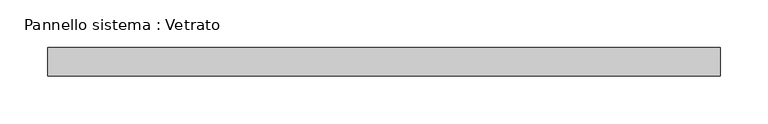
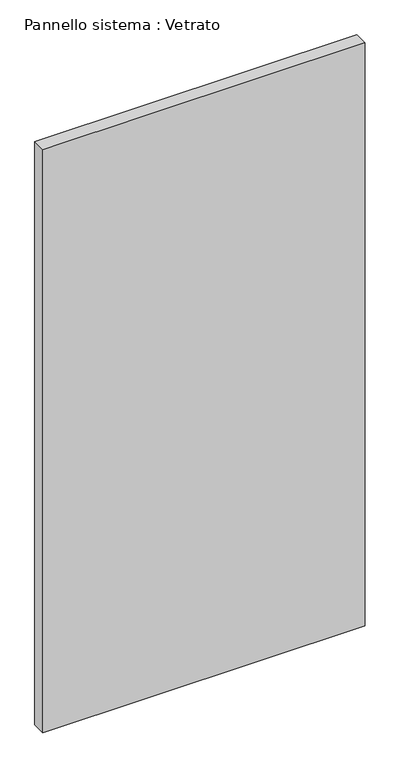
"""IFC4 building model written with IfcOpenShell, lengths in millimetres: plate geometry, Pannello sistema : Vetrato."""

from ifc_helpers import new_model, si_unit, origin, origin_with_axes, place, context, project, spatial, polyline, outline, extrude, source, transform, mapped, element, save


def pannello_sistema_vetrato_5f3696c3(model_context):
    return source(origin(), model_context, "Body", "SweptSolid", [
        extrude(outline(polyline([(352.9143447, -15.0), (-352.9143447, -15.0), (-352.9143447, 15.0), (352.9143447, 15.0), (352.9143447, -15.0)])), origin_with_axes(), (0.0, 0.0, 1.0), 1350.0),
    ])


if __name__ == "__main__":
    model = new_model("IFC4")
    model_context = context("Model", 3, world=origin())
    ifc_project = project(units=[si_unit("LENGTHUNIT", "METRE", prefix="MILLI")], contexts=[model_context])
    site = spatial("IfcSite", under=ifc_project)
    building = spatial("IfcBuilding", under=site)
    placement = place(None, origin())
    pannello_sistema_vetrato_shape = pannello_sistema_vetrato_5f3696c3(model_context)
    element("IfcPlate", 1, ObjectType="Pannello sistema : Vetrato", at=placement, inside=building, context=model_context, shape_type="MappedRepresentation", body=[
        mapped(pannello_sistema_vetrato_shape, transform((0.0, 0.0, 0.0), x_axis=(1.0, 0.0, 0.0), y_axis=(0.0, 1.0, 0.0), z_axis=(0.0, 0.0, 1.0))),
    ])
    save(model, "model.ifc")
